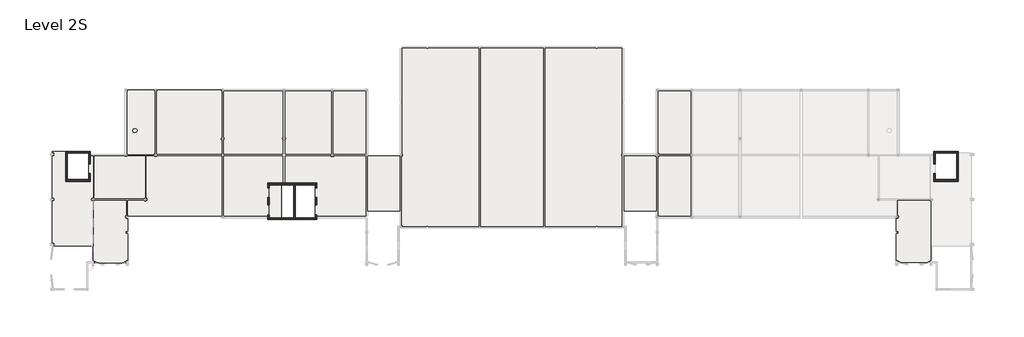
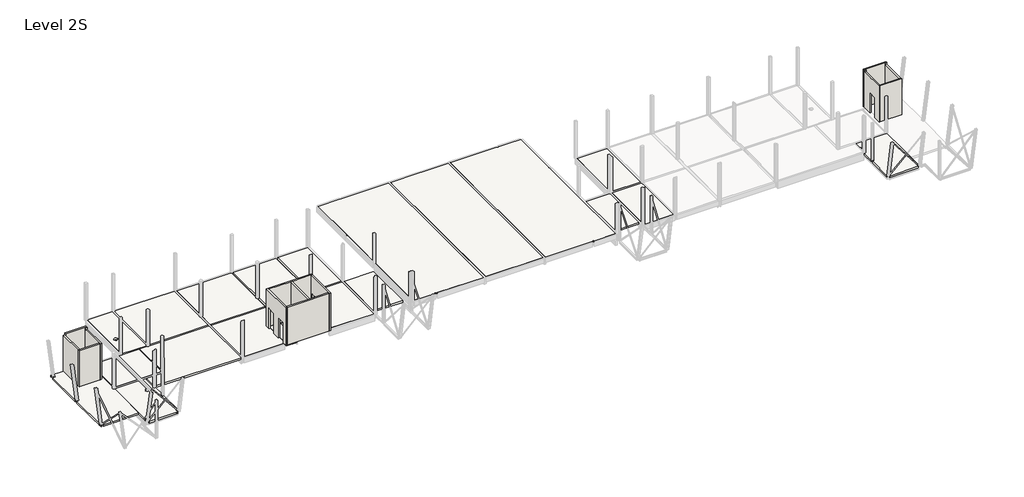
# One storey, part 1 of 9: 19 slabs, 13 walls.
"""IFC4 building model written with IfcOpenShell, lengths in millimetres."""

from ifc_helpers import new_model, si_unit, frame, origin, place, context, project, spatial, polyline, circle_curve, outline, extrude, faceted_brep, element, save
from ifc_brep_helpers import plane_surface, revolved_surface, advanced_brep

model = new_model("IFC4")

# Units and contexts
model_context = context("Model", 3, world=origin())
ifc_project = project(units=[si_unit("LENGTHUNIT", "METRE", prefix="MILLI")], contexts=[model_context])

# Site, building, storey
site = spatial("IfcSite", under=ifc_project)
building = spatial("IfcBuilding", under=site)
storey = spatial("IfcBuildingStorey", under=building, Name="Level 2S", Elevation=7900.0)

# Slabs
placement = place(None, origin())
element("IfcSlab", 1, ObjectType="Lattice Girder Slab 50/180", at=placement, inside=storey, context=model_context, shape_type="Brep", body=[
    faceted_brep([(-60972.0009422, -11787.2248986, 7720.0), (-59700.0749186, -11787.2248986, 7720.0), (-59550.0749186, -11787.2248986, 7720.0), (-59550.0749186, -14394.7248986, 7720.0), (-57575.0749186, -14394.7248986, 7720.0), (-57575.0749186, -12194.7248986, 7720.0), (-57277.5749186, -12194.7248986, 7720.0), (-57177.5749186, -12194.7248986, 7720.0), (-57177.5749186, -16094.1031039, 7720.0), (-57177.5749186, -20569.7248986, 7720.0), (-60765.9892538, -20569.7248986, 7720.0), (-60765.9892538, -20291.3915653, 7720.0), (-60970.4631022, -20291.3915653, 7720.0), (-60970.4631022, -20569.7248986, 7720.0), (-60972.0009422, -20569.7248986, 7720.0), (-60972.0009422, -16375.558232, 7720.0), (-60765.9892538, -16375.558232, 7720.0), (-60765.9892538, -16115.558232, 7720.0), (-60972.0009422, -16115.558232, 7720.0), (-60972.0009422, -12199.7248986, 7720.0), (-60765.9892538, -12199.7248986, 7720.0), (-60765.9892538, -11879.7248986, 7720.0), (-60972.0009422, -11879.7248986, 7720.0), (-59550.0749186, -11787.2248986, 7900.0), (-60972.0009422, -11787.2248986, 7900.0), (-60972.0009422, -11879.7248986, 7900.0), (-60765.9892538, -11879.7248986, 7900.0), (-60765.9892538, -12199.7248986, 7900.0), (-60972.0009422, -12199.7248986, 7900.0), (-60972.0009422, -16115.558232, 7900.0), (-60765.9892538, -16115.558232, 7900.0), (-60765.9892538, -16375.558232, 7900.0), (-60972.0009422, -16375.558232, 7900.0), (-60972.0009422, -20569.7248986, 7900.0), (-60970.4631022, -20569.7248986, 7900.0), (-60970.4631022, -20291.3915653, 7900.0), (-60765.9892538, -20291.3915653, 7900.0), (-60765.9892538, -20569.7248986, 7900.0), (-57177.5749186, -20569.7248986, 7900.0), (-57177.5749186, -16094.1031039, 7900.0), (-57177.5749186, -12194.7248986, 7900.0), (-57425.0749186, -12194.7248986, 7900.0), (-57575.0749186, -12194.7248986, 7900.0), (-57575.0749186, -14394.7248986, 7900.0), (-59550.0749186, -14394.7248986, 7900.0)], [[[0, 1, 2, 3, 4, 5, 6, 7, 8, 9, 10, 11, 12, 13, 14, 15, 16, 17, 18, 19, 20, 21, 22]], [[23, 24, 25, 26, 27, 28, 29, 30, 31, 32, 33, 34, 35, 36, 37, 38, 39, 40, 41, 42, 43, 44]], [[9, 38, 37, 10]], [[33, 14, 13, 34]], [[2, 1, 0, 24, 23]], [[38, 9, 8, 7, 40, 39]], [[3, 2, 23, 44]], [[4, 3, 44, 43]], [[4, 43, 42, 5]], [[20, 19, 28, 27]], [[14, 33, 32, 15]], [[24, 0, 22, 25]], [[28, 19, 18, 29]], [[18, 17, 30, 29]], [[16, 15, 32, 31]], [[35, 12, 11, 36]], [[12, 35, 34, 13]], [[30, 17, 16, 31]], [[36, 11, 10, 37]], [[26, 21, 20, 27]], [[7, 6, 5, 42, 41, 40]], [[21, 26, 25, 22]]]),
])
element("IfcSlab", 2, ObjectType="Lattice Girder Slab 50/180", at=placement, inside=storey, context=model_context, shape_type="Brep", body=[
    faceted_brep([(-57047.5749186, -22144.6284004, 7720.0), (-57047.5749186, -21904.6284004, 7720.0), (-57177.5749186, -21904.6284004, 7720.0), (-57177.5749186, -16344.1031039, 7720.0), (-54095.0749186, -16344.1031039, 7720.0), (-54095.0749186, -17752.2248986, 7720.0), (-54120.0749186, -17752.2248986, 7720.0), (-54120.0749186, -17952.2248986, 7720.0), (-53970.0749186, -17952.2248986, 7720.0), (-53970.0749186, -17993.6462549, 7720.0), (-53970.0749186, -19199.1395763, 7720.0), (-54115.0749186, -19199.1395763, 7720.0), (-54115.0749186, -19399.1395763, 7720.0), (-53970.0749186, -19399.1395763, 7720.0), (-53970.0749186, -21904.6284004, 7720.0), (-54150.0749186, -21904.6284004, 7720.0), (-54150.0749186, -22144.6284004, 7720.0), (-57047.5749186, -21904.6284004, 7900.0), (-57047.5749186, -22144.6284004, 7900.0), (-54150.0749186, -22144.6284004, 7900.0), (-54150.0749186, -21904.6284004, 7900.0), (-53970.0749186, -21904.6284004, 7900.0), (-53970.0749186, -19399.1395763, 7900.0), (-54115.0749186, -19399.1395763, 7900.0), (-54115.0749186, -19199.1395763, 7900.0), (-53970.0749186, -19199.1395763, 7900.0), (-53970.0749186, -17993.6462549, 7900.0), (-53970.0749186, -17952.2248986, 7900.0), (-54120.0749186, -17952.2248986, 7900.0), (-54120.0749186, -17752.2248986, 7900.0), (-54095.0749186, -17752.2248986, 7900.0), (-54095.0749186, -17722.3210881, 7900.0), (-54095.0749186, -16344.1031039, 7900.0), (-57065.7715197, -16344.1031039, 7900.0), (-57177.5749186, -16344.1031039, 7900.0), (-57177.5749186, -21904.6284004, 7900.0)], [[[0, 1, 2, 3, 4, 5, 6, 7, 8, 9, 10, 11, 12, 13, 14, 15, 16]], [[17, 18, 19, 20, 21, 22, 23, 24, 25, 26, 27, 28, 29, 30, 31, 32, 33, 34, 35]], [[3, 2, 35, 34]], [[18, 0, 16, 19]], [[14, 13, 22, 21]], [[25, 10, 9, 8, 27, 26]], [[1, 0, 18, 17]], [[16, 15, 20, 19]], [[12, 23, 22, 13]], [[23, 12, 11, 24]], [[24, 11, 10, 25]], [[3, 34, 33, 32, 4]], [[1, 17, 35, 2]], [[20, 15, 14, 21]], [[29, 6, 5, 30]], [[8, 7, 28, 27]], [[5, 4, 32, 31, 30]], [[28, 7, 6, 29]]]),
])
element("IfcSlab", 3, ObjectType="Lattice Girder Slab 50/180", at=placement, inside=storey, context=model_context, shape_type="Brep", body=[
    faceted_brep([(-52315.0320216, -12194.7248986, 7720.0), (-52315.0320216, -16094.1031039, 7720.0), (-52315.0320216, -16144.1031039, 7720.0), (-57077.5749186, -16144.1031039, 7720.0), (-57077.5749186, -12194.7248986, 7720.0), (-54220.0749186, -12194.7248986, 7720.0), (-54220.0749186, -12219.7248986, 7720.0), (-54020.0749186, -12219.7248986, 7720.0), (-54020.0749186, -12194.7248986, 7720.0), (-52415.0320216, -12194.7248986, 7720.0), (-52315.0320216, -16144.1031039, 7900.0), (-52315.0320216, -16094.1031039, 7900.0), (-52315.0320216, -12194.7248986, 7900.0), (-54020.0749186, -12194.7248986, 7900.0), (-54020.0749186, -12219.7248986, 7900.0), (-54220.0749186, -12219.7248986, 7900.0), (-54220.0749186, -12194.7248986, 7900.0), (-57077.5749186, -12194.7248986, 7900.0), (-57077.5749186, -16132.2997051, 7900.0), (-57077.5749186, -16144.1031039, 7900.0), (-57065.7715197, -16144.1031039, 7900.0), (-52426.8354205, -16144.1031039, 7900.0)], [[[0, 1, 2, 3, 4, 5, 6, 7, 8, 9]], [[10, 11, 12, 13, 14, 15, 16, 17, 18, 19, 20, 21]], [[10, 2, 1, 0, 12, 11]], [[2, 10, 21, 20, 19, 3]], [[12, 0, 9, 8, 13]], [[16, 5, 4, 17]], [[14, 7, 6, 15]], [[7, 14, 13, 8]], [[15, 6, 5, 16]], [[4, 3, 19, 18, 17]]]),
])
element("IfcSlab", 4, ObjectType="Lattice Girder Slab 50/180", at=placement, inside=storey, context=model_context, shape_type="Brep", body=[
    faceted_brep([(-51467.5749186, -12219.7248986, 7720.0), (-45247.5749186, -12219.7248986, 7720.0), (-45247.5749186, -17752.2248986, 7720.0), (-53945.0749186, -17752.2248986, 7720.0), (-53945.0749186, -16344.1031039, 7720.0), (-52215.0320216, -16344.1031039, 7720.0), (-52215.0320216, -12194.7248986, 7720.0), (-51467.5749186, -12194.7248986, 7720.0), (-45247.5749186, -17752.2248986, 7900.0), (-45247.5749186, -17740.4214998, 7900.0), (-45247.5749186, -12219.7248986, 7900.0), (-51255.7715197, -12219.7248986, 7900.0), (-51467.5749186, -12219.7248986, 7900.0), (-51467.5749186, -12194.7248986, 7900.0), (-51497.4787291, -12194.7248986, 7900.0), (-52215.0320216, -12194.7248986, 7900.0), (-52215.0320216, -16132.2997051, 7900.0), (-52215.0320216, -16344.1031039, 7900.0), (-52426.8354205, -16344.1031039, 7900.0), (-53945.0749186, -16344.1031039, 7900.0), (-53945.0749186, -17722.3210881, 7900.0), (-53945.0749186, -17752.2248986, 7900.0), (-53908.2715197, -17752.2248986, 7900.0), (-45259.3783174, -17752.2248986, 7900.0)], [[[0, 1, 2, 3, 4, 5, 6, 7]], [[8, 9, 10, 11, 12, 13, 14, 15, 16, 17, 18, 19, 20, 21, 22, 23]], [[1, 10, 9, 8, 2]], [[15, 6, 5, 17, 16]], [[6, 15, 14, 13, 7]], [[10, 1, 0, 12, 11]], [[2, 8, 23, 22, 21, 3]], [[17, 5, 4, 19, 18]], [[4, 3, 21, 20, 19]], [[12, 0, 7, 13]]]),
])
element("IfcSlab", 5, ObjectType="Lattice Girder Slab 50/180", at=placement, inside=storey, context=model_context, shape_type="Brep", body=[
    faceted_brep([(-36575.0711521, -14879.7248986, 7720.0), (-39354.2335648, -14879.7248986, 7720.0), (-39354.2335648, -12219.7248986, 7720.0), (-35099.3783174, -12219.7248986, 7720.0), (-34875.7715197, -12219.7248986, 7720.0), (-31877.5749186, -12219.7248986, 7720.0), (-31877.5749186, -17752.2248986, 7720.0), (-36575.0711521, -17752.2248986, 7720.0), (-39354.2335648, -14879.7248986, 7900.0), (-36575.0711521, -14879.7248986, 7900.0), (-36575.0711521, -17752.2248986, 7900.0), (-36425.0711521, -17752.2248986, 7900.0), (-31889.3783174, -17752.2248986, 7900.0), (-31877.5749186, -17752.2248986, 7900.0), (-31877.5749186, -12219.7248986, 7900.0), (-34875.7715197, -12219.7248986, 7900.0), (-35099.3783174, -12219.7248986, 7900.0), (-39354.2335648, -12219.7248986, 7900.0), (-39354.2335648, -14729.7248986, 7900.0)], [[[0, 1, 2, 3, 4, 5, 6, 7]], [[8, 9, 10, 11, 12, 13, 14, 15, 16, 17, 18]], [[2, 17, 16, 15, 14, 5, 4, 3]], [[9, 0, 7, 10]], [[0, 9, 8, 1]], [[10, 7, 6, 13, 12, 11]], [[2, 1, 8, 18, 17]], [[6, 5, 14, 13]]]),
    faceted_brep([(-39554.2335648, -14879.7248986, 7720.0), (-39700.0711521, -14879.7248986, 7720.0), (-40807.5711521, -14879.7248986, 7720.0), (-40807.5711521, -17752.2248986, 7720.0), (-45047.5749186, -17752.2248986, 7720.0), (-45047.5749186, -12219.7248986, 7720.0), (-39554.2335648, -12219.7248986, 7720.0), (-40807.5711521, -14879.7248986, 7900.0), (-39700.0711521, -14879.7248986, 7900.0), (-39554.2335648, -14879.7248986, 7900.0), (-39554.2335648, -14729.7248986, 7900.0), (-39554.2335648, -12219.7248986, 7900.0), (-45047.5749186, -12219.7248986, 7900.0), (-45047.5749186, -17740.4214998, 7900.0), (-45047.5749186, -17752.2248986, 7900.0), (-45035.7715197, -17752.2248986, 7900.0), (-40957.5711521, -17752.2248986, 7900.0), (-40807.5711521, -17752.2248986, 7900.0)], [[[0, 1, 2, 3, 4, 5, 6]], [[7, 8, 9, 10, 11, 12, 13, 14, 15, 16, 17]], [[11, 6, 5, 12]], [[7, 2, 1, 0, 9, 8]], [[2, 7, 17, 3]], [[4, 3, 17, 16, 15, 14]], [[0, 6, 11, 10, 9]], [[5, 4, 14, 13, 12]]]),
])
element("IfcSlab", 6, ObjectType="Lattice Girder Slab 50/180", at=placement, inside=storey, context=model_context, shape_type="AdvancedBrep", body=[
    advanced_brep(
    [(-54020.0749186, -12044.7248986, 7720.0), (-54020.0749186, -6164.7248986, 7720.0), (-54020.0749186, -6089.7248986, 7720.0), (-51467.5749186, -6089.7248986, 7720.0), (-51467.5749186, -6164.7248986, 7720.0), (-51467.5749186, -12044.7248986, 7720.0), (-53494.9312843, -9844.3712807, 7720.0), (-53094.9312843, -9844.3712807, 7720.0), (-51467.5749186, -6089.7248986, 7900.0), (-54020.0749186, -6089.7248986, 7900.0), (-54020.0749186, -6189.7248986, 7900.0), (-54020.0749186, -12019.7248986, 7900.0), (-54020.0749186, -12044.7248986, 7900.0), (-51497.4787291, -12044.7248986, 7900.0), (-51467.5749186, -12044.7248986, 7900.0), (-51467.5749186, -12007.9214998, 7900.0), (-51467.5749186, -6189.7248986, 7900.0), (-53094.9312843, -9844.3712807, 7900.0), (-53494.9312843, -9844.3712807, 7900.0)],
    [
        (0, 1),
        (1, 2),
        (2, 3),
        (3, 4),
        (4, 5),
        (5, 0),
        (6, 7, circle_curve(frame((-53294.9312843, -9844.3712807, 7720.0), z_axis=(0.0, 0.0, 1.0), x_axis=(1.0, 0.0, 0.0)), 200.0)),
        (7, 6, circle_curve(frame((-53294.9312843, -9844.3712807, 7720.0), z_axis=(0.0, 0.0, 1.0), x_axis=(1.0, 0.0, 0.0)), 200.0)),
        (8, 9),
        (9, 10),
        (10, 11),
        (11, 12),
        (12, 13),
        (13, 14),
        (14, 15),
        (15, 16),
        (16, 8),
        (17, 18, circle_curve(frame((-53294.9312843, -9844.3712807, 7900.0), z_axis=(0.0, 0.0, -1.0), x_axis=(1.0, 0.0, 0.0)), 200.0)),
        (18, 17, circle_curve(frame((-53294.9312843, -9844.3712807, 7900.0), z_axis=(0.0, 0.0, -1.0), x_axis=(1.0, 0.0, 0.0)), 200.0)),
        (8, 3),
        (2, 9),
        (0, 12),
        (14, 5),
        (6, 18),
        (17, 7),
    ],
    [
        plane_surface(frame((-31607.5749186, -6089.7248986, 7720.0), z_axis=(0.0, 0.0, -1.0), x_axis=(1.0, 0.0, 0.0))),
        plane_surface(frame((-31607.5749186, -6089.7248986, 7900.0), z_axis=(0.0, 0.0, 1.0), x_axis=(-1.0, 0.0, 0.0))),
        plane_surface(frame((-54120.0749186, -6089.7248986, 7720.0), z_axis=(0.0, 1.0, 0.0), x_axis=(0.0, 0.0, 1.0))),
        plane_surface(frame((-54020.0749186, -6202.4248986, 7650.0), z_axis=(-1.0, 0.0, 0.0), x_axis=(0.0, 0.0, -1.0))),
        plane_surface(frame((-51467.5749186, -12219.7248986, 7525.0), z_axis=(1.0, 0.0, 0.0), x_axis=(0.0, 0.0, -1.0))),
        plane_surface(frame((-51530.2749186, -12044.7248986, 7400.0), z_axis=(0.0, -1.0, 0.0), x_axis=(-1.0, 0.0, 0.0))),
        revolved_surface(polyline([(-53094.9312843, -9844.3712807, 7900.0), (-53094.9312843, -9844.3712807, 7720.0)]), (-53294.9312843, -9844.3712807, 7415.2), (0.0, 0.0, 1.0)),
    ],
    [
        (0, [[1, 2, 3, 4, 5, 6], [7, 8]]),
        (1, [[9, 10, 11, 12, 13, 14, 15, 16, 17], [18, 19]]),
        (2, [[20, -3, 21, -9]]),
        (3, [[-21, -2, -1, 22, -12, -11, -10]]),
        (4, [[-20, -17, -16, -15, 23, -5, -4]]),
        (5, [[-23, -14, -13, -22, -6]]),
        (6, [[24, -18, 25, -7]]),
        (6, [[-24, -8, -25, -19]]),
    ],
),
])
element("IfcSlab", 7, ObjectType="Lattice Girder Slab 50/180", at=placement, inside=storey, context=model_context, shape_type="Brep", body=[
    faceted_brep([(-45247.5749186, -6089.7248986, 7720.0), (-45247.5749186, -6164.7248986, 7720.0), (-45247.5749186, -10464.8361774, 7720.0), (-45247.5749186, -10688.4429751, 7720.0), (-45247.5749186, -12019.7248986, 7720.0), (-51267.5749186, -12019.7248986, 7720.0), (-51267.5749186, -6164.7248986, 7720.0), (-51267.5749186, -6089.7248986, 7720.0), (-45247.5749186, -12019.7248986, 7900.0), (-45247.5749186, -6189.7248986, 7900.0), (-45247.5749186, -6089.7248986, 7900.0), (-51267.5749186, -6089.7248986, 7900.0), (-51267.5749186, -6189.7248986, 7900.0), (-51267.5749186, -12007.9214998, 7900.0), (-51267.5749186, -12019.7248986, 7900.0), (-51255.7715197, -12019.7248986, 7900.0)], [[[0, 1, 2, 3, 4, 5, 6, 7]], [[8, 9, 10, 11, 12, 13, 14, 15]], [[10, 0, 7, 11]], [[4, 8, 15, 14, 5]], [[8, 4, 3, 2, 1, 0, 10, 9]], [[11, 7, 6, 5, 14, 13, 12]]]),
])
element("IfcSlab", 8, ObjectType="Lattice Girder Slab 50/180", at=placement, inside=storey, context=model_context, shape_type="Brep", body=[
    faceted_brep([(-39554.2335648, -12019.7248986, 7720.0), (-45047.5749186, -12019.7248986, 7720.0), (-45047.5749186, -10688.4429751, 7720.0), (-45047.5749186, -10464.8361774, 7720.0), (-45047.5749186, -6164.7248986, 7720.0), (-39554.2335648, -6164.7248986, 7720.0), (-39554.2335648, -10464.8361774, 7720.0), (-39554.2335648, -10688.4429751, 7720.0), (-45047.5749186, -12019.7248986, 7900.0), (-39554.2335648, -12019.7248986, 7900.0), (-39554.2335648, -6189.7248986, 7900.0), (-39554.2335648, -6164.7248986, 7900.0), (-45047.5749186, -6164.7248986, 7900.0), (-45047.5749186, -6189.7248986, 7900.0)], [[[0, 1, 2, 3, 4, 5, 6, 7]], [[8, 9, 10, 11, 12, 13]], [[8, 1, 0, 9]], [[1, 8, 13, 12, 4, 3, 2]], [[9, 0, 7, 6, 5, 11, 10]], [[5, 4, 12, 11]]]),
])
element("IfcSlab", 9, ObjectType="Lattice Girder Slab 50/180", at=placement, inside=storey, context=model_context, shape_type="Brep", body=[
    faceted_brep([(-39354.2335648, -6164.7248986, 7720.0), (-35087.5749186, -6164.7248986, 7720.0), (-35087.5749186, -12019.7248986, 7720.0), (-39354.2335648, -12019.7248986, 7720.0), (-39354.2335648, -10688.4429751, 7720.0), (-39354.2335648, -10464.8361774, 7720.0), (-35087.5749186, -6164.7248986, 7900.0), (-39354.2335648, -6164.7248986, 7900.0), (-39354.2335648, -6189.7248986, 7900.0), (-39354.2335648, -12019.7248986, 7900.0), (-35099.3783174, -12019.7248986, 7900.0), (-35087.5749186, -12019.7248986, 7900.0), (-35087.5749186, -12007.9214998, 7900.0), (-35087.5749186, -6189.7248986, 7900.0)], [[[0, 1, 2, 3, 4, 5]], [[6, 7, 8, 9, 10, 11, 12, 13]], [[7, 0, 5, 4, 3, 9, 8]], [[0, 7, 6, 1]], [[1, 6, 13, 12, 11, 2]], [[3, 2, 11, 10, 9]]]),
])
element("IfcSlab", 10, ObjectType="Lattice Girder Slab 50/180", at=placement, inside=storey, context=model_context, shape_type="Brep", body=[
    faceted_brep([(-34887.5749186, -6164.7248986, 7720.0), (-31877.5749186, -6164.7248986, 7720.0), (-31877.5749186, -12019.7248986, 7720.0), (-34887.5749186, -12019.7248986, 7720.0), (-31877.5749186, -12019.7248986, 7900.0), (-31877.5749186, -6189.7248986, 7900.0), (-31877.5749186, -6164.7248986, 7900.0), (-34887.5749186, -6164.7248986, 7900.0), (-34887.5749186, -6189.7248986, 7900.0), (-34887.5749186, -12007.9214998, 7900.0), (-34887.5749186, -12019.7248986, 7900.0), (-34875.7715197, -12019.7248986, 7900.0)], [[[0, 1, 2, 3]], [[4, 5, 6, 7, 8, 9, 10, 11]], [[0, 7, 6, 1]], [[7, 0, 3, 10, 9, 8]], [[1, 6, 5, 4, 2]], [[10, 3, 2, 4, 11]]]),
])
element("IfcSlab", 11, ObjectType="Lattice Girder Slab 50/180", at=placement, inside=storey, context=model_context, shape_type="SweptSolid", body=[
    extrude(outline(polyline([(-28690.0749186, -17289.7248986), (-31677.5749186, -17289.7248986), (-31677.5749186, -12219.7248986), (-28690.0749186, -12219.7248986), (-28690.0749186, -17289.7248986)])), frame((0.0, 0.0, 7720.0), z_axis=(0.0, 0.0, 1.0), x_axis=(1.0, 0.0, 0.0)), (0.0, 0.0, 1.0), 180.0),
])
element("IfcSlab", 12, ObjectType="Lattice Girder Slab 50/180", at=placement, inside=storey, context=model_context, shape_type="Brep", body=[
    faceted_brep([(-4737.5749186, -6164.7248986, 7720.0), (-1727.5749186, -6164.7248986, 7720.0), (-1727.5749186, -12019.7248986, 7720.0), (-4737.5749186, -12019.7248986, 7720.0), (-1727.5749186, -12019.7248986, 7900.0), (-1727.5749186, -12007.9214998, 7900.0), (-1727.5749186, -6189.7248986, 7900.0), (-1727.5749186, -6164.7248986, 7900.0), (-4737.5749186, -6164.7248986, 7900.0), (-4737.5749186, -6189.7248986, 7900.0), (-4737.5749186, -11969.7248986, 7900.0), (-4737.5749186, -12019.7248986, 7900.0), (-4687.5749186, -12019.7248986, 7900.0), (-1739.3783174, -12019.7248986, 7900.0)], [[[0, 1, 2, 3]], [[4, 5, 6, 7, 8, 9, 10, 11, 12, 13]], [[8, 0, 3, 11, 10, 9]], [[0, 8, 7, 1]], [[1, 7, 6, 5, 4, 2]], [[11, 3, 2, 4, 13, 12]]]),
])
element("IfcSlab", 13, ObjectType="Lattice Girder Slab 50/180", at=placement, inside=storey, context=model_context, shape_type="Brep", body=[
    faceted_brep([(-7925.0749186, -17289.7248986, 7720.0), (-7925.0749186, -12219.7248986, 7720.0), (-4937.5749186, -12219.7248986, 7720.0), (-4937.5749186, -17289.7248986, 7720.0), (-7925.0749186, -12219.7248986, 7900.0), (-7925.0749186, -17289.7248986, 7900.0), (-4937.5749186, -17289.7248986, 7900.0), (-4937.5749186, -12269.7248986, 7900.0), (-4937.5749186, -12219.7248986, 7900.0), (-4987.5749186, -12219.7248986, 7900.0)], [[[0, 1, 2, 3]], [[4, 5, 6, 7, 8, 9]], [[5, 0, 3, 6]], [[0, 5, 4, 1]], [[1, 4, 9, 8, 2]], [[3, 2, 8, 7, 6]]]),
])
element("IfcSlab", 14, ObjectType="Lattice Girder Slab 50/180", at=placement, inside=storey, context=model_context, shape_type="Brep", body=[
    faceted_brep([(-1727.5749186, -17752.2248986, 7720.0), (-4737.5749186, -17752.2248986, 7720.0), (-4737.5749186, -12219.7248986, 7720.0), (-1727.5749186, -12219.7248986, 7720.0), (-4737.5749186, -17752.2248986, 7900.0), (-4725.7715197, -17752.2248986, 7900.0), (-1739.3783174, -17752.2248986, 7900.0), (-1727.5749186, -17752.2248986, 7900.0), (-1727.5749186, -17740.4214998, 7900.0), (-1727.5749186, -12231.5282975, 7900.0), (-1727.5749186, -12219.7248986, 7900.0), (-1739.3783174, -12219.7248986, 7900.0), (-4687.5749186, -12219.7248986, 7900.0), (-4737.5749186, -12219.7248986, 7900.0), (-4737.5749186, -12269.7248986, 7900.0), (-4737.5749186, -17740.4214998, 7900.0)], [[[0, 1, 2, 3]], [[4, 5, 6, 7, 8, 9, 10, 11, 12, 13, 14, 15]], [[1, 4, 15, 14, 13, 2]], [[7, 0, 3, 10, 9, 8]], [[1, 0, 7, 6, 5, 4]], [[3, 2, 13, 12, 11, 10]]]),
])
element("IfcSlab", 15, ObjectType="Lattice Girder Slab 50/180", at=placement, inside=storey, context=model_context, shape_type="Brep", body=[
    faceted_brep([(17354.9250814, -19399.1395763, 7720.0), (17499.9250814, -19399.1395763, 7720.0), (17499.9250814, -19199.1395763, 7720.0), (17354.9250814, -19199.1395763, 7720.0), (17354.9250814, -17993.6462549, 7720.0), (17354.9250814, -17952.2248986, 7720.0), (17479.9250814, -17952.2248986, 7720.0), (17479.9250814, -16344.1031039, 7720.0), (20562.4250814, -16344.1031039, 7720.0), (20562.4250814, -21904.6284004, 7720.0), (20432.4250814, -21904.6284004, 7720.0), (20432.4250814, -22069.6284004, 7720.0), (17534.9250814, -22069.6284004, 7720.0), (17534.9250814, -21904.6284004, 7720.0), (17354.9250814, -21904.6284004, 7720.0), (17499.9250814, -19399.1395763, 7900.0), (17354.9250814, -19399.1395763, 7900.0), (17354.9250814, -21904.6284004, 7900.0), (17534.9250814, -21904.6284004, 7900.0), (17534.9250814, -22069.6284004, 7900.0), (20432.4250814, -22069.6284004, 7900.0), (20432.4250814, -21904.6284004, 7900.0), (20562.4250814, -21904.6284004, 7900.0), (20562.4250814, -16344.1031039, 7900.0), (20450.6216826, -16344.1031039, 7900.0), (17479.9250814, -16344.1031039, 7900.0), (17479.9250814, -17722.3210881, 7900.0), (17479.9250814, -17952.2248986, 7900.0), (17354.9250814, -17952.2248986, 7900.0), (17354.9250814, -17993.6462549, 7900.0), (17354.9250814, -19199.1395763, 7900.0), (17499.9250814, -19199.1395763, 7900.0)], [[[0, 1, 2, 3, 4, 5, 6, 7, 8, 9, 10, 11, 12, 13, 14]], [[15, 16, 17, 18, 19, 20, 21, 22, 23, 24, 25, 26, 27, 28, 29, 30, 31]], [[1, 0, 16, 15]], [[2, 1, 15, 31]], [[3, 2, 31, 30]], [[8, 23, 22, 9]], [[16, 0, 14, 17]], [[3, 30, 29, 28, 5, 4]], [[11, 20, 19, 12]], [[23, 8, 7, 25, 24]], [[6, 5, 28, 27]], [[10, 21, 20, 11]], [[21, 10, 9, 22]], [[18, 13, 12, 19]], [[13, 18, 17, 14]], [[6, 27, 26, 25, 7]]]),
])
element("IfcSlab", 16, ObjectType="Lattice Girder Slab 50/180", at=placement, inside=storey, context=model_context, shape_type="Brep", body=[
    faceted_brep([(-39700.0711521, -17944.7248986, 7720.0), (-40807.5711521, -17944.7248986, 7720.0), (-40807.5711521, -17852.2248986, 7720.0), (-40807.5711521, -17752.2248986, 7720.0), (-40807.5711521, -14879.7248986, 7720.0), (-39700.0711521, -14879.7248986, 7720.0), (-40807.5711521, -17944.7248986, 7900.0), (-39700.0711521, -17944.7248986, 7900.0), (-39700.0711521, -14879.7248986, 7900.0), (-40807.5711521, -14879.7248986, 7900.0), (-40807.5711521, -17752.2248986, 7900.0), (-40807.5711521, -17852.2248986, 7900.0)], [[[0, 1, 2, 3, 4, 5]], [[6, 7, 8, 9, 10, 11]], [[7, 0, 5, 8]], [[1, 0, 7, 6]], [[1, 6, 11, 10, 9, 4, 3, 2]], [[5, 4, 9, 8]]]),
])
element("IfcSlab", 17, ObjectType="Precast Hollow Core 150+50", at=placement, inside=storey, context=model_context, shape_type="Brep", body=[
    faceted_brep([(-21407.5749186, -2174.7248986, 8594.6349541), (-21407.5749186, -18726.6395763, 8594.6349541), (-26082.5749186, -18726.6395763, 8594.6349541), (-26082.5749186, -18676.6395763, 8594.6349541), (-26282.5749186, -18676.6395763, 8594.6349541), (-26282.5749186, -18726.6395763, 8594.6349541), (-28490.0749186, -18726.6395763, 8594.6349541), (-28490.0749186, -18676.6395763, 8594.6349541), (-28515.0749186, -18676.6395763, 8594.6349541), (-28515.0749186, -12219.7248986, 8594.6349541), (-28490.0749186, -12219.7248986, 8594.6349541), (-28490.0749186, -7325.9748986, 8594.6349541), (-28490.0749186, -7125.9748986, 8594.6349541), (-28490.0749186, -2224.7248986, 8594.6349541), (-28490.0749186, -2174.7248986, 8594.6349541), (-26282.5749186, -2174.7248986, 8594.6349541), (-26282.5749186, -2224.7248986, 8594.6349541), (-26082.5749186, -2224.7248986, 8594.6349541), (-26082.5749186, -2174.7248986, 8594.6349541), (-21407.5749186, -18726.6395763, 8700.0), (-21407.5749186, -2174.7248986, 8700.0), (-26082.5749186, -2174.7248986, 8700.0), (-26082.5749186, -2224.7248986, 8700.0), (-26282.5749186, -2224.7248986, 8700.0), (-26282.5749186, -2174.7248986, 8700.0), (-28490.0749186, -2174.7248986, 8700.0), (-28490.0749186, -2224.7248986, 8700.0), (-28490.0749186, -7125.9748986, 8700.0), (-28490.0749186, -7325.9748986, 8700.0), (-28490.0749186, -12019.7248986, 8700.0), (-28490.0749186, -12219.7248986, 8700.0), (-28515.0749186, -12219.7248986, 8700.0), (-28515.0749186, -18676.6395763, 8700.0), (-28490.0749186, -18676.6395763, 8700.0), (-28490.0749186, -18726.6395763, 8700.0), (-26282.5749186, -18726.6395763, 8700.0), (-26282.5749186, -18676.6395763, 8700.0), (-26082.5749186, -18676.6395763, 8700.0), (-26082.5749186, -18726.6395763, 8700.0)], [[[0, 1, 2, 3, 4, 5, 6, 7, 8, 9, 10, 11, 12, 13, 14, 15, 16, 17, 18]], [[19, 20, 21, 22, 23, 24, 25, 26, 27, 28, 29, 30, 31, 32, 33, 34, 35, 36, 37, 38]], [[31, 9, 8, 32]], [[25, 14, 13, 12, 11, 10, 30, 29, 28, 27, 26]], [[1, 19, 38, 2]], [[5, 35, 34, 6]], [[20, 0, 18, 21]], [[14, 25, 24, 15]], [[1, 0, 20, 19]], [[30, 10, 9, 31]], [[33, 7, 6, 34]], [[7, 33, 32, 8]], [[3, 37, 36, 4]], [[4, 36, 35, 5]], [[37, 3, 2, 38]], [[23, 16, 15, 24]], [[17, 22, 21, 18]], [[22, 17, 16, 23]]]),
])
element("IfcSlab", 18, ObjectType="Precast Hollow Core 150+50", at=placement, inside=storey, context=model_context, shape_type="Brep", body=[
    faceted_brep([(-8125.0749186, -2174.7248986, 8594.6349541), (-8125.0749186, -18726.6395763, 8594.6349541), (-10332.5749186, -18726.6395763, 8594.6349541), (-10332.5749186, -18676.6395763, 8594.6349541), (-10532.5749186, -18676.6395763, 8594.6349541), (-10532.5749186, -18726.6395763, 8594.6349541), (-15207.5749186, -18726.6395763, 8594.6349541), (-15207.5749186, -2174.7248986, 8594.6349541), (-10532.5749186, -2174.7248986, 8594.6349541), (-10532.5749186, -2224.7248986, 8594.6349541), (-10332.5749186, -2224.7248986, 8594.6349541), (-10332.5749186, -2174.7248986, 8594.6349541), (-8125.0749186, -18726.6395763, 8700.0), (-8125.0749186, -18676.6395763, 8700.0), (-8125.0749186, -12219.7248986, 8700.0), (-8125.0749186, -12019.7248986, 8700.0), (-8125.0749186, -7325.9748986, 8700.0), (-8125.0749186, -7125.9748986, 8700.0), (-8125.0749186, -2224.7248986, 8700.0), (-8125.0749186, -2174.7248986, 8700.0), (-10332.5749186, -2174.7248986, 8700.0), (-10332.5749186, -2224.7248986, 8700.0), (-10532.5749186, -2224.7248986, 8700.0), (-10532.5749186, -2174.7248986, 8700.0), (-15207.5749186, -2174.7248986, 8700.0), (-15207.5749186, -18726.6395763, 8700.0), (-10532.5749186, -18726.6395763, 8700.0), (-10532.5749186, -18676.6395763, 8700.0), (-10332.5749186, -18676.6395763, 8700.0), (-10332.5749186, -18726.6395763, 8700.0)], [[[0, 1, 2, 3, 4, 5, 6, 7, 8, 9, 10, 11]], [[12, 13, 14, 15, 16, 17, 18, 19, 20, 21, 22, 23, 24, 25, 26, 27, 28, 29]], [[12, 1, 0, 19, 18, 17, 16, 15, 14, 13]], [[1, 12, 29, 2]], [[25, 6, 5, 26]], [[19, 0, 11, 20]], [[7, 24, 23, 8]], [[24, 7, 6, 25]], [[3, 28, 27, 4]], [[4, 27, 26, 5]], [[28, 3, 2, 29]], [[22, 9, 8, 23]], [[10, 21, 20, 11]], [[21, 10, 9, 22]]]),
])
element("IfcSlab", 19, ObjectType="Precast Hollow Core 150+50", at=placement, inside=storey, context=model_context, shape_type="SweptSolid", body=[
    extrude(outline(polyline([(-21207.5749186, -2174.7248986), (-15407.5749186, -2174.7248986), (-15407.5749186, -18726.6395763), (-21207.5749186, -18726.6395763), (-21207.5749186, -2174.7248986)])), frame((0.0, 0.0, 8594.6349541), z_axis=(0.0, 0.0, 1.0), x_axis=(1.0, 0.0, 0.0)), (0.0, 0.0, 1.0), 105.3650459),
])

# Walls
element("IfcWall", 20, ObjectType="Concrete CIP - 150 mm", at=placement, inside=storey, context=model_context, shape_type="Brep", body=[
    faceted_brep([(-59700.0749186, -14544.7248986, 7900.0), (-57575.0749186, -14544.7248986, 7900.0), (-57575.0749186, -14544.7248986, 11700.0), (-57575.0749186, -14544.7248986, 11720.0), (-59700.0749186, -14544.7248986, 11720.0), (-57575.0749186, -14394.7248986, 7900.0), (-59550.0749186, -14394.7248986, 7900.0), (-59700.0749186, -14394.7248986, 7900.0), (-59700.0749186, -14394.7248986, 11720.0), (-59550.0749186, -14394.7248986, 11720.0), (-57575.0749186, -14394.7248986, 11720.0)], [[[0, 1, 2, 3, 4]], [[5, 6, 7, 8, 9, 10]], [[1, 0, 7, 6, 5]], [[7, 0, 4, 8]], [[1, 5, 10, 3, 2]], [[4, 3, 10, 9, 8]]]),
])
element("IfcWall", 21, ObjectType="Concrete CIP - 150 mm", at=placement, inside=storey, context=model_context, shape_type="Brep", body=[
    faceted_brep([(-59700.0749186, -11787.2248986, 7900.0), (-59700.0749186, -14394.7248986, 7900.0), (-59700.0749186, -14394.7248986, 11700.0), (-59700.0749186, -14394.7248986, 11720.0), (-59700.0749186, -11787.2248986, 11720.0), (-59550.0749186, -14394.7248986, 7900.0), (-59550.0749186, -11937.2248986, 7900.0), (-59550.0749186, -11787.2248986, 7900.0), (-59550.0749186, -11787.2248986, 11720.0), (-59550.0749186, -14394.7248986, 11720.0)], [[[0, 1, 2, 3, 4]], [[5, 6, 7, 8, 9]], [[1, 0, 7, 6, 5]], [[7, 0, 4, 8]], [[1, 5, 9, 3, 2]], [[4, 3, 9, 8]]]),
])
element("IfcWall", 22, ObjectType="Concrete CIP - 150 mm", at=placement, inside=storey, context=model_context, shape_type="Brep", body=[
    faceted_brep([(-57425.0749186, -11787.2248986, 7900.0), (-59550.0749186, -11787.2248986, 7900.0), (-59550.0749186, -11787.2248986, 11720.0), (-59550.0749186, -11787.2248986, 11900.0), (-57425.0749186, -11787.2248986, 11900.0), (-57425.0749186, -11937.2248986, 7900.0), (-57425.0749186, -11937.2248986, 11900.0), (-57575.0749186, -11937.2248986, 11900.0), (-59550.0749186, -11937.2248986, 11900.0), (-59550.0749186, -11937.2248986, 7900.0), (-57575.0749186, -11937.2248986, 7900.0)], [[[0, 1, 2, 3, 4]], [[5, 6, 7, 8, 9, 10]], [[1, 0, 5, 10, 9]], [[4, 3, 8, 7, 6]], [[0, 4, 6, 5]], [[3, 2, 1, 9, 8]]]),
])
element("IfcWall", 23, ObjectType="Concrete CIP - 150 mm", at=placement, inside=storey, context=model_context, shape_type="Brep", body=[
    faceted_brep([(-57425.0749186, -11937.2248986, 7900.0), (-57425.0749186, -11937.2248986, 11900.0), (-57425.0749186, -12044.7248986, 11900.0), (-57425.0749186, -12044.7248986, 11720.0), (-57425.0749186, -14544.7248986, 11720.0), (-57425.0749186, -14544.7248986, 7900.0), (-57425.0749186, -13827.2248986, 7900.0), (-57425.0749186, -13827.2248986, 10100.0), (-57425.0749186, -12927.2248986, 10100.0), (-57425.0749186, -12927.2248986, 7900.0), (-57575.0749186, -11937.2248986, 11900.0), (-57575.0749186, -11937.2248986, 7900.0), (-57575.0749186, -12927.2248986, 7900.0), (-57575.0749186, -12927.2248986, 10100.0), (-57575.0749186, -13827.2248986, 10100.0), (-57575.0749186, -13827.2248986, 7900.0), (-57575.0749186, -14394.7248986, 7900.0), (-57575.0749186, -14544.7248986, 7900.0), (-57575.0749186, -14544.7248986, 11720.0), (-57575.0749186, -14394.7248986, 11720.0), (-57575.0749186, -12194.7248986, 11720.0), (-57575.0749186, -12044.7248986, 11720.0), (-57575.0749186, -12044.7248986, 11900.0)], [[[0, 1, 2, 3, 4, 5, 6, 7, 8, 9]], [[10, 11, 12, 13, 14, 15, 16, 17, 18, 19, 20, 21, 22]], [[5, 17, 16, 15, 6]], [[11, 0, 9, 12]], [[1, 10, 22, 2]], [[17, 5, 4, 18]], [[1, 0, 11, 10]], [[9, 8, 13, 12]], [[7, 6, 15, 14]], [[8, 7, 14, 13]], [[3, 21, 20, 19, 18, 4]], [[21, 3, 2, 22]]]),
])
element("IfcWall", 24, ObjectType="Concrete CIP - 150 mm", at=placement, inside=storey, context=model_context, shape_type="Brep", body=[
    faceted_brep([(-40807.5711521, -18094.7248986, 7900.0), (-36575.0711521, -18094.7248986, 7900.0), (-36575.0711521, -18094.7248986, 11900.0), (-40807.5711521, -18094.7248986, 11900.0), (-40807.5711521, -17944.7248986, 7900.0), (-40807.5711521, -17944.7248986, 11720.0), (-40807.5711521, -17944.7248986, 11900.0), (-39700.0711521, -17944.7248986, 11900.0), (-38575.0711521, -17944.7248986, 11900.0), (-38425.0711521, -17944.7248986, 11900.0), (-36575.0711521, -17944.7248986, 11900.0), (-36575.0711521, -17944.7248986, 7900.0), (-38425.0711521, -17944.7248986, 7900.0), (-38575.0711521, -17944.7248986, 7900.0)], [[[0, 1, 2, 3]], [[4, 5, 6, 7, 8, 9, 10, 11, 12, 13]], [[1, 0, 4, 13, 12, 11]], [[3, 2, 10, 9, 8, 7, 6]], [[2, 1, 11, 10]], [[0, 3, 6, 5, 4]]]),
])
element("IfcWall", 25, ObjectType="Concrete CIP - 150 mm", at=placement, inside=storey, context=model_context, shape_type="SweptSolid", body=[
    extrude(outline(polyline([(-38575.0711521, -17944.7248986), (-38575.0711521, -14879.7248986), (-38425.0711521, -14879.7248986), (-38425.0711521, -17944.7248986), (-38575.0711521, -17944.7248986)])), frame((0.0, 0.0, 7900.0), z_axis=(0.0, 0.0, 1.0), x_axis=(1.0, 0.0, 0.0)), (0.0, 0.0, 1.0), 4000.0),
])
element("IfcWall", 26, ObjectType="Concrete CIP - 150 mm", at=placement, inside=storey, context=model_context, shape_type="Brep", body=[
    faceted_brep([(-36425.0711521, -14729.7248986, 7900.0), (-40807.5711521, -14729.7248986, 7900.0), (-40807.5711521, -14729.7248986, 11900.0), (-36425.0711521, -14729.7248986, 11900.0), (-36425.0711521, -14879.7248986, 7900.0), (-36425.0711521, -14879.7248986, 11900.0), (-36575.0711521, -14879.7248986, 11900.0), (-38425.0711521, -14879.7248986, 11900.0), (-38575.0711521, -14879.7248986, 11900.0), (-39700.0711521, -14879.7248986, 11900.0), (-40807.5711521, -14879.7248986, 11900.0), (-40807.5711521, -14879.7248986, 11720.0), (-40807.5711521, -14879.7248986, 7900.0), (-38575.0711521, -14879.7248986, 7900.0), (-38425.0711521, -14879.7248986, 7900.0), (-36575.0711521, -14879.7248986, 7900.0)], [[[0, 1, 2, 3]], [[4, 5, 6, 7, 8, 9, 10, 11, 12, 13, 14, 15]], [[1, 0, 4, 15, 14, 13, 12]], [[3, 2, 10, 9, 8, 7, 6, 5]], [[0, 3, 5, 4]], [[2, 1, 12, 11, 10]]]),
])
element("IfcWall", 27, ObjectType="Concrete CIP - 150 mm", at=placement, inside=storey, context=model_context, shape_type="Brep", body=[
    faceted_brep([(-36425.0711521, -16762.2248986, 7900.0), (-36425.0711521, -16062.2248986, 7900.0), (-36425.0711521, -16062.2248986, 10100.0), (-36425.0711521, -15162.2248986, 10100.0), (-36425.0711521, -15162.2248986, 7900.0), (-36425.0711521, -14879.7248986, 7900.0), (-36425.0711521, -14879.7248986, 11900.0), (-36425.0711521, -18094.7248986, 11900.0), (-36425.0711521, -18094.7248986, 7900.0), (-36425.0711521, -17662.2248986, 7900.0), (-36425.0711521, -17662.2248986, 10100.0), (-36425.0711521, -16762.2248986, 10100.0), (-36575.0711521, -16062.2248986, 10100.0), (-36575.0711521, -16062.2248986, 7900.0), (-36575.0711521, -16762.2248986, 7900.0), (-36575.0711521, -16762.2248986, 10100.0), (-36575.0711521, -17662.2248986, 10100.0), (-36575.0711521, -17662.2248986, 7900.0), (-36575.0711521, -17944.7248986, 7900.0), (-36575.0711521, -18094.7248986, 7900.0), (-36575.0711521, -18094.7248986, 11900.0), (-36575.0711521, -17944.7248986, 11900.0), (-36575.0711521, -14879.7248986, 11900.0), (-36575.0711521, -14879.7248986, 7900.0), (-36575.0711521, -15162.2248986, 7900.0), (-36575.0711521, -15162.2248986, 10100.0)], [[[0, 1, 2, 3, 4, 5, 6, 7, 8, 9, 10, 11]], [[12, 13, 14, 15, 16, 17, 18, 19, 20, 21, 22, 23, 24, 25]], [[19, 18, 17, 9, 8]], [[24, 23, 5, 4]], [[14, 13, 1, 0]], [[7, 6, 22, 21, 20]], [[8, 7, 20, 19]], [[6, 5, 23, 22]], [[0, 11, 15, 14]], [[10, 9, 17, 16]], [[11, 10, 16, 15]], [[4, 3, 25, 24]], [[2, 1, 13, 12]], [[3, 2, 12, 25]]]),
])
element("IfcWall", 28, ObjectType="Concrete CIP - 150 mm", at=placement, inside=storey, context=model_context, shape_type="Brep", body=[
    faceted_brep([(-40957.5711521, -18094.7248986, 11900.0), (-40957.5711521, -14729.7248986, 11900.0), (-40957.5711521, -14729.7248986, 7900.0), (-40957.5711521, -15158.4748986, 7900.0), (-40957.5711521, -15158.4748986, 10100.0), (-40957.5711521, -16058.4748986, 10100.0), (-40957.5711521, -16058.4748986, 7900.0), (-40957.5711521, -16765.9748986, 7900.0), (-40957.5711521, -16765.9748986, 10100.0), (-40957.5711521, -17665.9748986, 10100.0), (-40957.5711521, -17665.9748986, 7900.0), (-40957.5711521, -18094.7248986, 7900.0), (-40807.5711521, -14729.7248986, 11900.0), (-40807.5711521, -14879.7248986, 11900.0), (-40807.5711521, -17944.7248986, 11900.0), (-40807.5711521, -18094.7248986, 11900.0), (-40807.5711521, -18094.7248986, 7900.0), (-40807.5711521, -17944.7248986, 7900.0), (-40807.5711521, -17665.9748986, 7900.0), (-40807.5711521, -17665.9748986, 10100.0), (-40807.5711521, -16765.9748986, 10100.0), (-40807.5711521, -16765.9748986, 7900.0), (-40807.5711521, -16058.4748986, 7900.0), (-40807.5711521, -16058.4748986, 10100.0), (-40807.5711521, -15158.4748986, 10100.0), (-40807.5711521, -15158.4748986, 7900.0), (-40807.5711521, -14879.7248986, 7900.0), (-40807.5711521, -14729.7248986, 7900.0)], [[[0, 1, 2, 3, 4, 5, 6, 7, 8, 9, 10, 11]], [[12, 13, 14, 15, 16, 17, 18, 19, 20, 21, 22, 23, 24, 25, 26, 27]], [[11, 10, 18, 17, 16]], [[21, 7, 6, 22]], [[2, 27, 26, 25, 3]], [[1, 0, 15, 14, 13, 12]], [[9, 19, 18, 10]], [[20, 8, 7, 21]], [[19, 9, 8, 20]], [[5, 23, 22, 6]], [[24, 4, 3, 25]], [[23, 5, 4, 24]], [[0, 11, 16, 15]], [[2, 1, 12, 27]]]),
])
element("IfcWall", 29, ObjectType="Concrete CIP - 150 mm", at=placement, inside=storey, context=model_context, shape_type="Brep", body=[
    faceted_brep([(23084.9250814, -14394.7248986, 7900.0), (22934.9250814, -14394.7248986, 7900.0), (20959.9250814, -14394.7248986, 7900.0), (20959.9250814, -14394.7248986, 11720.0), (22934.9250814, -14394.7248986, 11720.0), (23084.9250814, -14394.7248986, 11720.0), (20959.9250814, -14544.7248986, 7900.0), (23084.9250814, -14544.7248986, 7900.0), (23084.9250814, -14544.7248986, 11720.0), (20959.9250814, -14544.7248986, 11720.0)], [[[0, 1, 2, 3, 4, 5]], [[6, 7, 8, 9]], [[2, 1, 0, 7, 6]], [[7, 0, 5, 8]], [[2, 6, 9, 3]], [[4, 3, 9, 8, 5]]]),
])
element("IfcWall", 30, ObjectType="Concrete CIP - 150 mm", at=placement, inside=storey, context=model_context, shape_type="Brep", body=[
    faceted_brep([(22934.9250814, -11787.2248986, 7900.0), (22934.9250814, -11937.2248986, 7900.0), (22934.9250814, -14394.7248986, 7900.0), (22934.9250814, -14394.7248986, 11720.0), (22934.9250814, -11939.7248986, 11720.0), (22934.9250814, -11939.7248986, 11900.0), (22934.9250814, -11937.2248986, 11900.0), (22934.9250814, -11787.2248986, 11900.0), (23084.9250814, -14394.7248986, 7900.0), (23084.9250814, -11787.2248986, 7900.0), (23084.9250814, -11787.2248986, 11900.0), (23084.9250814, -11939.7248986, 11900.0), (23084.9250814, -11939.7248986, 11720.0), (23084.9250814, -14394.7248986, 11720.0)], [[[0, 1, 2, 3, 4, 5, 6, 7]], [[8, 9, 10, 11, 12, 13]], [[2, 1, 0, 9, 8]], [[10, 7, 6, 5, 11]], [[0, 7, 10, 9]], [[2, 8, 13, 3]], [[12, 4, 3, 13]], [[4, 12, 11, 5]]]),
])
element("IfcWall", 31, ObjectType="Concrete CIP - 150 mm", at=placement, inside=storey, context=model_context, shape_type="Brep", body=[
    faceted_brep([(20809.9250814, -11937.2248986, 7900.0), (20959.9250814, -11937.2248986, 7900.0), (22934.9250814, -11937.2248986, 7900.0), (22934.9250814, -11937.2248986, 11900.0), (20959.9250814, -11937.2248986, 11900.0), (20809.9250814, -11937.2248986, 11900.0), (20809.9250814, -11787.2248986, 7900.0), (20809.9250814, -11787.2248986, 11900.0), (22934.9250814, -11787.2248986, 11900.0), (22934.9250814, -11787.2248986, 11720.0), (22934.9250814, -11787.2248986, 7900.0)], [[[0, 1, 2, 3, 4, 5]], [[6, 7, 8, 9, 10]], [[2, 1, 0, 6, 10]], [[5, 4, 3, 8, 7]], [[0, 5, 7, 6]], [[3, 2, 10, 9, 8]]]),
])
element("IfcWall", 32, ObjectType="Concrete CIP - 150 mm", at=placement, inside=storey, context=model_context, shape_type="Brep", body=[
    faceted_brep([(20959.9250814, -11937.2248986, 7900.0), (20959.9250814, -11937.2248986, 11900.0), (20959.9250814, -12044.7248986, 11900.0), (20959.9250814, -12044.7248986, 11720.0), (20959.9250814, -14394.7248986, 11720.0), (20959.9250814, -14544.7248986, 11720.0), (20959.9250814, -14544.7248986, 7900.0), (20959.9250814, -14394.7248986, 7900.0), (20959.9250814, -13827.2248986, 7900.0), (20959.9250814, -13827.2248986, 10100.0), (20959.9250814, -12927.2248986, 10100.0), (20959.9250814, -12927.2248986, 7900.0), (20809.9250814, -11937.2248986, 11900.0), (20809.9250814, -11937.2248986, 7900.0), (20809.9250814, -12927.2248986, 7900.0), (20809.9250814, -12927.2248986, 10100.0), (20809.9250814, -13827.2248986, 10100.0), (20809.9250814, -13827.2248986, 7900.0), (20809.9250814, -14544.7248986, 7900.0), (20809.9250814, -14544.7248986, 11720.0), (20809.9250814, -12044.7248986, 11720.0), (20809.9250814, -12044.7248986, 11900.0)], [[[0, 1, 2, 3, 4, 5, 6, 7, 8, 9, 10, 11]], [[12, 13, 14, 15, 16, 17, 18, 19, 20, 21]], [[6, 18, 17, 8, 7]], [[13, 0, 11, 14]], [[1, 12, 21, 2]], [[18, 6, 5, 19]], [[1, 0, 13, 12]], [[11, 10, 15, 14]], [[9, 8, 17, 16]], [[10, 9, 16, 15]], [[3, 20, 19, 5, 4]], [[20, 3, 2, 21]]]),
])

save(model, "model.ifc")
